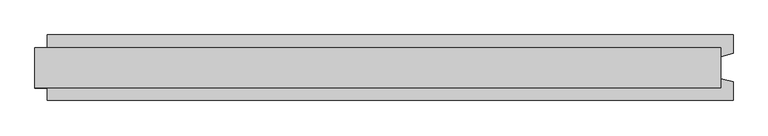
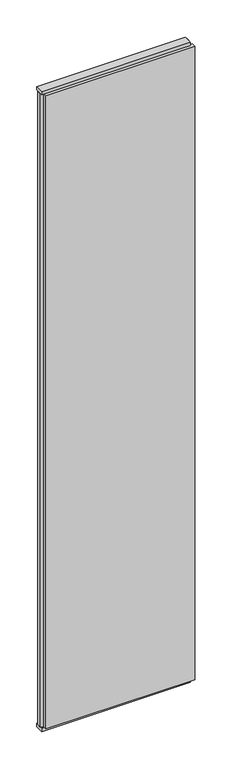
"""IFC4 building model written with IfcOpenShell, lengths in millimetres: plate geometry."""

from ifc_helpers import new_model, si_unit, frame, origin, origin_with_axes, place, context, project, spatial, polyline, outline, extrude, source, transform, mapped, element, save


def plate_037091ae(model_context):
    return source(origin(), model_context, "Body", "SweptSolid", [
        extrude(outline(polyline([(570.5, 52.5), (570.5, 22.9993165), (550.5, 17.6401049), (550.5, -17.6401049), (570.5, -22.9993165), (570.5, -52.5), (-530.5, -52.5), (-530.5, -22.9993165), (-550.5, -17.6401049), (-550.5, 17.6401049), (-530.5, 22.9993165), (-530.5, 52.5), (570.5, 52.5)])), frame((0.0, 0.0, 25.0), z_axis=(0.0, 0.0, 1.0), x_axis=(1.0, 0.0, 0.0)), (0.0, 0.0, 1.0), 4950.0),
        extrude(outline(polyline([(550.5, 32.0), (550.5, -32.0), (-550.5, -32.0), (-550.5, 32.0), (550.5, 32.0)])), origin_with_axes(), (0.0, 0.0, 1.0), 25.0),
        extrude(outline(polyline([(550.5, 32.0), (550.5, -32.0), (-550.5, -32.0), (-550.5, 32.0), (550.5, 32.0)])), frame((0.0, 0.0, 4975.0), z_axis=(0.0, 0.0, 1.0), x_axis=(1.0, 0.0, 0.0)), (0.0, 0.0, 1.0), 25.0),
    ])


if __name__ == "__main__":
    model = new_model("IFC4")
    model_context = context("Model", 3, world=origin())
    ifc_project = project(units=[si_unit("LENGTHUNIT", "METRE", prefix="MILLI")], contexts=[model_context])
    site = spatial("IfcSite", under=ifc_project)
    building = spatial("IfcBuilding", under=site)
    placement = place(None, origin())
    plate_shape = plate_037091ae(model_context)
    element("IfcPlate", 1, at=placement, inside=building, context=model_context, shape_type="MappedRepresentation", body=[
        mapped(plate_shape, transform((0.0, 0.0, 0.0), x_axis=(1.0, 0.0, 0.0), y_axis=(0.0, 1.0, 0.0), z_axis=(0.0, 0.0, 1.0))),
    ])
    save(model, "model.ifc")
